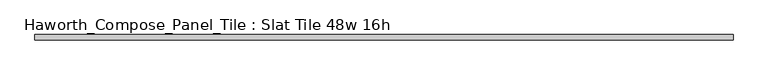
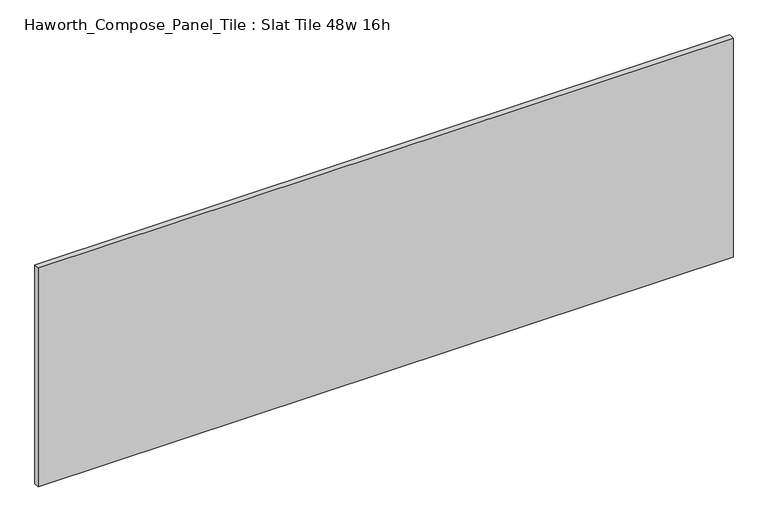
"""IFC4 building model written with IfcOpenShell, lengths in millimetres: furniture geometry, Haworth_Compose_Panel_Tile : Slat Tile 48w 16h."""

from ifc_helpers import new_model, si_unit, frame, origin, place, context, project, spatial, polyline, outline, extrude, source, transform, mapped, element, save


def haworth_compose_panel_tile_slat_tile_48w_16h_c470ca53(model_context):
    return source(origin(), model_context, "Body", "SweptSolid", [
        extrude(outline(polyline([(612.0402902, -25.7218594), (-607.1597098, -25.7218594), (-607.1597098, -16.1968594), (612.0402902, -16.1968594), (612.0402902, -25.7218594)])), frame((0.0, 0.0, 1066.8), z_axis=(0.0, 0.0, 1.0), x_axis=(1.0, 0.0, 0.0)), (0.0, 0.0, 1.0), 406.4),
    ])


if __name__ == "__main__":
    model = new_model("IFC4")
    model_context = context("Model", 3, world=origin())
    ifc_project = project(units=[si_unit("LENGTHUNIT", "METRE", prefix="MILLI")], contexts=[model_context])
    site = spatial("IfcSite", under=ifc_project)
    building = spatial("IfcBuilding", under=site)
    placement = place(None, origin())
    haworth_compose_panel_tile_slat_tile_48w_16h_shape = haworth_compose_panel_tile_slat_tile_48w_16h_c470ca53(model_context)
    element("IfcFurniture", 1, ObjectType="Haworth_Compose_Panel_Tile : Slat Tile 48w 16h", at=placement, inside=building, context=model_context, shape_type="MappedRepresentation", body=[
        mapped(haworth_compose_panel_tile_slat_tile_48w_16h_shape, transform((0.0, 0.0, 0.0), x_axis=(1.0, 0.0, 0.0), y_axis=(0.0, 1.0, 0.0), z_axis=(0.0, 0.0, 1.0))),
    ])
    save(model, "model.ifc")
